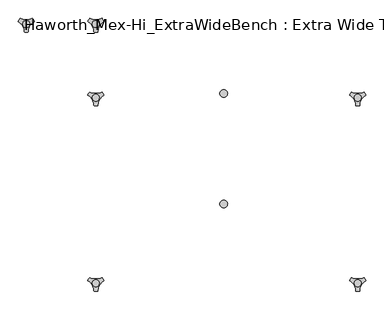
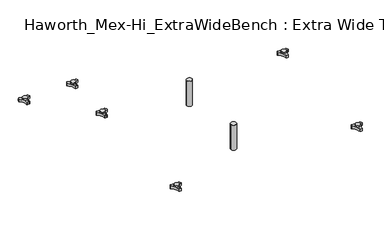
"""IFC4 building model written with IfcOpenShell, lengths in millimetres: furniture geometry, Haworth_Mex-Hi_ExtraWideBench : Extra Wide Three Seats Bench."""

from ifc_helpers import new_model, si_unit, point, frame, frame_2d, origin, origin_with_axes, place, context, project, spatial, polyline, circle_curve, trimmed, segment, composite_curve, outline, extrude, source, transform, mapped, element, save
from ifc_brep_helpers import plane_surface, cylinder_surface, revolved_surface, advanced_brep


def haworth_mex_hi_extrawidebench_extra_wide_three_seats_bench_09150e93(model_context):
    return source(origin(), model_context, "Body", "SolidModel", [
        advanced_brep(
        [(191.4388063, -130.2721038, 98.611642), (187.2162181, -137.585841, 98.611642), (187.614167, -138.7518724, 98.611642), (203.4334377, -166.1516574, 98.611642), (204.2442712, -167.0792988, 98.611642), (212.6894498, -167.0792988, 98.611642), (213.493978, -165.9895174, 98.611642), (229.5962311, -138.4877144, 98.611642), (229.7175081, -137.5858427, 98.611642), (225.4949182, -130.2721023, 98.611642), (224.2861347, -130.0337175, 98.611642), (192.6475863, -130.0337175, 98.611642), (217.839737, -145.1926245, 98.611642), (198.9347251, -145.1926245, 98.611642), (191.4388063, -130.2721038, 88.6531552), (192.6475863, -130.0337175, 88.6531552), (224.2861347, -130.0337175, 88.6531552), (225.4949182, -130.2721023, 88.6531552), (229.7175081, -137.5858427, 88.6531552), (229.5962311, -138.4877144, 88.6531552), (213.493978, -165.9895174, 88.6531552), (212.6894498, -167.0792988, 88.6531552), (204.2442712, -167.0792988, 88.6531552), (203.4334377, -166.1516574, 88.6531552), (187.614167, -138.7518724, 88.6531552), (187.2162181, -137.585841, 88.6531552), (198.9347251, -145.1926245, 103.6569541), (217.839737, -145.1926245, 103.6569541)],
        [
            (0, 1, circle_curve(frame((209.6982944, -145.690049, 98.611642), z_axis=(0.0, 0.0, 1.0), x_axis=(1.0, 0.0, 0.0)), 23.8981576)),
            (1, 2, circle_curve(frame((188.1437767, -137.920202, 98.611642), z_axis=(0.0, 0.0, 1.0), x_axis=(1.0, 0.0, 0.0)), 0.9859828)),
            (2, 3, circle_curve(frame((169.218797, -167.6389644, 98.611642), z_axis=(0.0, 0.0, -1.0), x_axis=(1.0, 0.0, 0.0)), 34.246952)),
            (3, 4, circle_curve(frame((204.4184811, -166.1088376, 98.611642), z_axis=(0.0, 0.0, 1.0), x_axis=(1.0, 0.0, 0.0)), 0.9859736)),
            (4, 5, circle_curve(frame((208.4668605, -143.5567534, 98.611642), z_axis=(0.0, 0.0, 1.0), x_axis=(1.0, 0.0, 0.0)), 23.8985439)),
            (5, 6, circle_curve(frame((212.5152379, -166.1088262, 98.611642), z_axis=(0.0, 0.0, 1.0), x_axis=(1.0, 0.0, 0.0)), 0.9859852)),
            (6, 7, circle_curve(frame((247.7156517, -167.5614211, 98.611642), z_axis=(0.0, 0.0, -1.0), x_axis=(1.0, 0.0, 0.0)), 34.2577557)),
            (7, 8, circle_curve(frame((228.7899467, -137.9202011, 98.611642), z_axis=(0.0, 0.0, 1.0), x_axis=(1.0, 0.0, 0.0)), 0.9859847)),
            (8, 9, circle_curve(frame((207.2358178, -145.6898258, 98.611642), z_axis=(0.0, 0.0, 1.0), x_axis=(1.0, 0.0, 0.0)), 23.8977184)),
            (9, 10, circle_curve(frame((224.7415719, -130.9082171, 98.611642), z_axis=(0.0, 0.0, 1.0), x_axis=(1.0, 0.0, 0.0)), 0.9859881)),
            (10, 11, circle_curve(frame((208.4668605, -99.6586209, 98.611642), z_axis=(0.0, 0.0, -1.0), x_axis=(1.0, 0.0, 0.0)), 34.2475683)),
            (11, 0, circle_curve(frame((192.1921512, -130.9082131, 98.611642), z_axis=(0.0, 0.0, 1.0), x_axis=(1.0, 0.0, 0.0)), 0.9859835)),
            (12, 13, circle_curve(frame((208.3872311, -145.1926245, 98.611642), z_axis=(0.0, 0.0, -1.0), x_axis=(1.0, 0.0, 0.0)), 9.452506)),
            (13, 12, circle_curve(frame((208.3872311, -145.1926245, 98.611642), z_axis=(0.0, 0.0, -1.0), x_axis=(1.0, 0.0, 0.0)), 9.452506)),
            (14, 15, circle_curve(frame((192.1921512, -130.9082131, 88.6531552), z_axis=(0.0, 0.0, -1.0), x_axis=(1.0, 0.0, 0.0)), 0.9859835)),
            (15, 16, circle_curve(frame((208.4668605, -99.6586209, 88.6531552), z_axis=(0.0, 0.0, 1.0), x_axis=(1.0, 0.0, 0.0)), 34.2475683)),
            (16, 17, circle_curve(frame((224.7415719, -130.9082171, 88.6531552), z_axis=(0.0, 0.0, -1.0), x_axis=(1.0, 0.0, 0.0)), 0.9859881)),
            (17, 18, circle_curve(frame((207.2358178, -145.6898258, 88.6531552), z_axis=(0.0, 0.0, -1.0), x_axis=(1.0, 0.0, 0.0)), 23.8977184)),
            (18, 19, circle_curve(frame((228.7899467, -137.9202011, 88.6531552), z_axis=(0.0, 0.0, -1.0), x_axis=(1.0, 0.0, 0.0)), 0.9859847)),
            (19, 20, circle_curve(frame((247.7156517, -167.5614211, 88.6531552), z_axis=(0.0, 0.0, 1.0), x_axis=(1.0, 0.0, 0.0)), 34.2577557)),
            (20, 21, circle_curve(frame((212.5152379, -166.1088262, 88.6531552), z_axis=(0.0, 0.0, -1.0), x_axis=(1.0, 0.0, 0.0)), 0.9859852)),
            (21, 22, circle_curve(frame((208.4668605, -143.5567534, 88.6531552), z_axis=(0.0, 0.0, -1.0), x_axis=(1.0, 0.0, 0.0)), 23.8985439)),
            (22, 23, circle_curve(frame((204.4184811, -166.1088376, 88.6531552), z_axis=(0.0, 0.0, -1.0), x_axis=(1.0, 0.0, 0.0)), 0.9859736)),
            (23, 24, circle_curve(frame((169.218797, -167.6389644, 88.6531552), z_axis=(0.0, 0.0, 1.0), x_axis=(1.0, 0.0, 0.0)), 34.246952)),
            (24, 25, circle_curve(frame((188.1437767, -137.920202, 88.6531552), z_axis=(0.0, 0.0, -1.0), x_axis=(1.0, 0.0, 0.0)), 0.9859828)),
            (25, 14, circle_curve(frame((209.6982944, -145.690049, 88.6531552), z_axis=(0.0, 0.0, -1.0), x_axis=(1.0, 0.0, 0.0)), 23.8981576)),
            (26, 27, circle_curve(frame((208.3872311, -145.1926245, 103.6569541), z_axis=(0.0, 0.0, 1.0), x_axis=(1.0, 0.0, 0.0)), 9.452506)),
            (27, 26, circle_curve(frame((208.3872311, -145.1926245, 103.6569541), z_axis=(0.0, 0.0, 1.0), x_axis=(1.0, 0.0, 0.0)), 9.452506)),
            (0, 14),
            (25, 1),
            (24, 2),
            (23, 3),
            (22, 4),
            (21, 5),
            (20, 6),
            (19, 7),
            (18, 8),
            (17, 9),
            (16, 10),
            (15, 11),
            (26, 13),
            (12, 27),
        ],
        [
            plane_surface(frame((233.596452, -145.690049, 98.611642), z_axis=(0.0, 0.0, 1.0), x_axis=(0.0, 1.0, 0.0))),
            plane_surface(frame((233.596452, -145.690049, 88.6531552), z_axis=(0.0, 0.0, -1.0), x_axis=(0.0, -1.0, 0.0))),
            plane_surface(frame((217.839737, -145.1926245, 103.6569541), z_axis=(0.0, 0.0, 1.0), x_axis=(0.0, 1.0, 0.0))),
            cylinder_surface(frame((209.6982944, -145.690049, 88.6531552), z_axis=(0.0, 0.0, 1.0), x_axis=(1.0, 0.0, 0.0)), 23.8981576),
            cylinder_surface(frame((188.1437767, -137.920202, 88.6531552), z_axis=(0.0, 0.0, 1.0), x_axis=(1.0, 0.0, 0.0)), 0.9859828),
            revolved_surface(polyline([(203.465749, -167.6389644, 88.6531552), (203.465749, -167.6389644, 98.611642)]), (169.218797, -167.6389644, 88.6531552), (0.0, 0.0, -1.0)),
            cylinder_surface(frame((204.4184811, -166.1088376, 88.6531552), z_axis=(0.0, 0.0, 1.0), x_axis=(1.0, 0.0, 0.0)), 0.9859736),
            cylinder_surface(frame((208.4668605, -143.5567534, 88.6531552), z_axis=(0.0, 0.0, 1.0), x_axis=(1.0, 0.0, 0.0)), 23.8985439),
            cylinder_surface(frame((212.5152379, -166.1088262, 88.6531552), z_axis=(0.0, 0.0, 1.0), x_axis=(1.0, 0.0, 0.0)), 0.9859852),
            revolved_surface(polyline([(281.9734074, -167.5614211, 88.6531552), (281.9734074, -167.5614211, 98.611642)]), (247.7156517, -167.5614211, 88.6531552), (0.0, 0.0, -1.0)),
            cylinder_surface(frame((228.7899467, -137.9202011, 88.6531552), z_axis=(0.0, 0.0, 1.0), x_axis=(1.0, 0.0, 0.0)), 0.9859847),
            cylinder_surface(frame((207.2358178, -145.6898258, 88.6531552), z_axis=(0.0, 0.0, 1.0), x_axis=(1.0, 0.0, 0.0)), 23.8977184),
            cylinder_surface(frame((224.7415719, -130.9082171, 88.6531552), z_axis=(0.0, 0.0, 1.0), x_axis=(1.0, 0.0, 0.0)), 0.9859881),
            revolved_surface(polyline([(242.7144288, -99.6586209, 88.6531552), (242.7144288, -99.6586209, 98.611642)]), (208.4668605, -99.6586209, 88.6531552), (0.0, 0.0, -1.0)),
            cylinder_surface(frame((192.1921512, -130.9082131, 88.6531552), z_axis=(0.0, 0.0, 1.0), x_axis=(1.0, 0.0, 0.0)), 0.9859835),
            cylinder_surface(frame((208.3872311, -145.1926245, 98.611642), z_axis=(0.0, 0.0, 1.0), x_axis=(1.0, 0.0, 0.0)), 9.452506),
        ],
        [
            (0, [[1, 2, 3, 4, 5, 6, 7, 8, 9, 10, 11, 12], [13, 14]]),
            (1, [[15, 16, 17, 18, 19, 20, 21, 22, 23, 24, 25, 26]]),
            (2, [[27, 28]]),
            (3, [[-1, 29, -26, 30]]),
            (4, [[-2, -30, -25, 31]]),
            (5, [[-3, -31, -24, 32]]),
            (6, [[-4, -32, -23, 33]]),
            (7, [[-5, -33, -22, 34]]),
            (8, [[-6, -34, -21, 35]]),
            (9, [[-7, -35, -20, 36]]),
            (10, [[-8, -36, -19, 37]]),
            (11, [[-9, -37, -18, 38]]),
            (12, [[-10, -38, -17, 39]]),
            (13, [[-11, -39, -16, 40]]),
            (14, [[-12, -40, -15, -29]]),
            (15, [[-27, 41, -13, 42]]),
            (15, [[-28, -42, -14, -41]]),
        ],
    ),
        advanced_brep(
        [(191.4388063, -633.9963447, 98.611642), (187.2162181, -641.3100819, 98.611642), (187.614167, -642.4761133, 98.611642), (203.4334377, -669.8758983, 98.611642), (204.2442712, -670.8035397, 98.611642), (212.6894498, -670.8035397, 98.611642), (213.493978, -669.7137583, 98.611642), (229.5962311, -642.2119553, 98.611642), (229.7175081, -641.3100836, 98.611642), (225.4949182, -633.9963432, 98.611642), (224.2861347, -633.7579584, 98.611642), (192.6475863, -633.7579584, 98.611642), (217.839737, -648.9168654, 98.611642), (198.9347251, -648.9168654, 98.611642), (191.4388063, -633.9963447, 88.6531552), (192.6475863, -633.7579584, 88.6531552), (224.2861347, -633.7579584, 88.6531552), (225.4949182, -633.9963432, 88.6531552), (229.7175081, -641.3100836, 88.6531552), (229.5962311, -642.2119553, 88.6531552), (213.493978, -669.7137583, 88.6531552), (212.6894498, -670.8035397, 88.6531552), (204.2442712, -670.8035397, 88.6531552), (203.4334377, -669.8758983, 88.6531552), (187.614167, -642.4761133, 88.6531552), (187.2162181, -641.3100819, 88.6531552), (198.9347251, -648.9168654, 103.6569541), (217.839737, -648.9168654, 103.6569541)],
        [
            (0, 1, circle_curve(frame((209.6982944, -649.4142898, 98.611642), z_axis=(0.0, 0.0, 1.0), x_axis=(1.0, 0.0, 0.0)), 23.8981576)),
            (1, 2, circle_curve(frame((188.1437767, -641.6444428, 98.611642), z_axis=(0.0, 0.0, 1.0), x_axis=(1.0, 0.0, 0.0)), 0.9859828)),
            (2, 3, circle_curve(frame((169.218797, -671.3632053, 98.611642), z_axis=(0.0, 0.0, -1.0), x_axis=(1.0, 0.0, 0.0)), 34.246952)),
            (3, 4, circle_curve(frame((204.4184811, -669.8330785, 98.611642), z_axis=(0.0, 0.0, 1.0), x_axis=(1.0, 0.0, 0.0)), 0.9859736)),
            (4, 5, circle_curve(frame((208.4668605, -647.2809943, 98.611642), z_axis=(0.0, 0.0, 1.0), x_axis=(1.0, 0.0, 0.0)), 23.8985439)),
            (5, 6, circle_curve(frame((212.5152379, -669.8330671, 98.611642), z_axis=(0.0, 0.0, 1.0), x_axis=(1.0, 0.0, 0.0)), 0.9859852)),
            (6, 7, circle_curve(frame((247.7156517, -671.285662, 98.611642), z_axis=(0.0, 0.0, -1.0), x_axis=(1.0, 0.0, 0.0)), 34.2577557)),
            (7, 8, circle_curve(frame((228.7899467, -641.644442, 98.611642), z_axis=(0.0, 0.0, 1.0), x_axis=(1.0, 0.0, 0.0)), 0.9859847)),
            (8, 9, circle_curve(frame((207.2358178, -649.4140667, 98.611642), z_axis=(0.0, 0.0, 1.0), x_axis=(1.0, 0.0, 0.0)), 23.8977184)),
            (9, 10, circle_curve(frame((224.7415719, -634.632458, 98.611642), z_axis=(0.0, 0.0, 1.0), x_axis=(1.0, 0.0, 0.0)), 0.9859881)),
            (10, 11, circle_curve(frame((208.4668605, -603.3828618, 98.611642), z_axis=(0.0, 0.0, -1.0), x_axis=(1.0, 0.0, 0.0)), 34.2475683)),
            (11, 0, circle_curve(frame((192.1921512, -634.632454, 98.611642), z_axis=(0.0, 0.0, 1.0), x_axis=(1.0, 0.0, 0.0)), 0.9859835)),
            (12, 13, circle_curve(frame((208.3872311, -648.9168654, 98.611642), z_axis=(0.0, 0.0, -1.0), x_axis=(1.0, 0.0, 0.0)), 9.452506)),
            (13, 12, circle_curve(frame((208.3872311, -648.9168654, 98.611642), z_axis=(0.0, 0.0, -1.0), x_axis=(1.0, 0.0, 0.0)), 9.452506)),
            (14, 15, circle_curve(frame((192.1921512, -634.632454, 88.6531552), z_axis=(0.0, 0.0, -1.0), x_axis=(1.0, 0.0, 0.0)), 0.9859835)),
            (15, 16, circle_curve(frame((208.4668605, -603.3828618, 88.6531552), z_axis=(0.0, 0.0, 1.0), x_axis=(1.0, 0.0, 0.0)), 34.2475683)),
            (16, 17, circle_curve(frame((224.7415719, -634.632458, 88.6531552), z_axis=(0.0, 0.0, -1.0), x_axis=(1.0, 0.0, 0.0)), 0.9859881)),
            (17, 18, circle_curve(frame((207.2358178, -649.4140667, 88.6531552), z_axis=(0.0, 0.0, -1.0), x_axis=(1.0, 0.0, 0.0)), 23.8977184)),
            (18, 19, circle_curve(frame((228.7899467, -641.644442, 88.6531552), z_axis=(0.0, 0.0, -1.0), x_axis=(1.0, 0.0, 0.0)), 0.9859847)),
            (19, 20, circle_curve(frame((247.7156517, -671.285662, 88.6531552), z_axis=(0.0, 0.0, 1.0), x_axis=(1.0, 0.0, 0.0)), 34.2577557)),
            (20, 21, circle_curve(frame((212.5152379, -669.8330671, 88.6531552), z_axis=(0.0, 0.0, -1.0), x_axis=(1.0, 0.0, 0.0)), 0.9859852)),
            (21, 22, circle_curve(frame((208.4668605, -647.2809943, 88.6531552), z_axis=(0.0, 0.0, -1.0), x_axis=(1.0, 0.0, 0.0)), 23.8985439)),
            (22, 23, circle_curve(frame((204.4184811, -669.8330785, 88.6531552), z_axis=(0.0, 0.0, -1.0), x_axis=(1.0, 0.0, 0.0)), 0.9859736)),
            (23, 24, circle_curve(frame((169.218797, -671.3632053, 88.6531552), z_axis=(0.0, 0.0, 1.0), x_axis=(1.0, 0.0, 0.0)), 34.246952)),
            (24, 25, circle_curve(frame((188.1437767, -641.6444428, 88.6531552), z_axis=(0.0, 0.0, -1.0), x_axis=(1.0, 0.0, 0.0)), 0.9859828)),
            (25, 14, circle_curve(frame((209.6982944, -649.4142898, 88.6531552), z_axis=(0.0, 0.0, -1.0), x_axis=(1.0, 0.0, 0.0)), 23.8981576)),
            (26, 27, circle_curve(frame((208.3872311, -648.9168654, 103.6569541), z_axis=(0.0, 0.0, 1.0), x_axis=(1.0, 0.0, 0.0)), 9.452506)),
            (27, 26, circle_curve(frame((208.3872311, -648.9168654, 103.6569541), z_axis=(0.0, 0.0, 1.0), x_axis=(1.0, 0.0, 0.0)), 9.452506)),
            (0, 14),
            (25, 1),
            (24, 2),
            (23, 3),
            (22, 4),
            (21, 5),
            (20, 6),
            (19, 7),
            (18, 8),
            (17, 9),
            (16, 10),
            (15, 11),
            (26, 13),
            (12, 27),
        ],
        [
            plane_surface(frame((233.596452, -649.4142898, 98.611642), z_axis=(0.0, 0.0, 1.0), x_axis=(0.0, 1.0, 0.0))),
            plane_surface(frame((233.596452, -649.4142898, 88.6531552), z_axis=(0.0, 0.0, -1.0), x_axis=(0.0, -1.0, 0.0))),
            plane_surface(frame((217.839737, -648.9168654, 103.6569541), z_axis=(0.0, 0.0, 1.0), x_axis=(0.0, 1.0, 0.0))),
            cylinder_surface(frame((209.6982944, -649.4142898, 88.6531552), z_axis=(0.0, 0.0, 1.0), x_axis=(1.0, 0.0, 0.0)), 23.8981576),
            cylinder_surface(frame((188.1437767, -641.6444428, 88.6531552), z_axis=(0.0, 0.0, 1.0), x_axis=(1.0, 0.0, 0.0)), 0.9859828),
            revolved_surface(polyline([(203.465749, -671.3632053, 88.6531552), (203.465749, -671.3632053, 98.611642)]), (169.218797, -671.3632053, 88.6531552), (0.0, 0.0, -1.0)),
            cylinder_surface(frame((204.4184811, -669.8330785, 88.6531552), z_axis=(0.0, 0.0, 1.0), x_axis=(1.0, 0.0, 0.0)), 0.9859736),
            cylinder_surface(frame((208.4668605, -647.2809943, 88.6531552), z_axis=(0.0, 0.0, 1.0), x_axis=(1.0, 0.0, 0.0)), 23.8985439),
            cylinder_surface(frame((212.5152379, -669.8330671, 88.6531552), z_axis=(0.0, 0.0, 1.0), x_axis=(1.0, 0.0, 0.0)), 0.9859852),
            revolved_surface(polyline([(281.9734074, -671.285662, 88.6531552), (281.9734074, -671.285662, 98.611642)]), (247.7156517, -671.285662, 88.6531552), (0.0, 0.0, -1.0)),
            cylinder_surface(frame((228.7899467, -641.644442, 88.6531552), z_axis=(0.0, 0.0, 1.0), x_axis=(1.0, 0.0, 0.0)), 0.9859847),
            cylinder_surface(frame((207.2358178, -649.4140667, 88.6531552), z_axis=(0.0, 0.0, 1.0), x_axis=(1.0, 0.0, 0.0)), 23.8977184),
            cylinder_surface(frame((224.7415719, -634.632458, 88.6531552), z_axis=(0.0, 0.0, 1.0), x_axis=(1.0, 0.0, 0.0)), 0.9859881),
            revolved_surface(polyline([(242.7144288, -603.3828618, 88.6531552), (242.7144288, -603.3828618, 98.611642)]), (208.4668605, -603.3828618, 88.6531552), (0.0, 0.0, -1.0)),
            cylinder_surface(frame((192.1921512, -634.632454, 88.6531552), z_axis=(0.0, 0.0, 1.0), x_axis=(1.0, 0.0, 0.0)), 0.9859835),
            cylinder_surface(frame((208.3872311, -648.9168654, 98.611642), z_axis=(0.0, 0.0, 1.0), x_axis=(1.0, 0.0, 0.0)), 9.452506),
        ],
        [
            (0, [[1, 2, 3, 4, 5, 6, 7, 8, 9, 10, 11, 12], [13, 14]]),
            (1, [[15, 16, 17, 18, 19, 20, 21, 22, 23, 24, 25, 26]]),
            (2, [[27, 28]]),
            (3, [[-1, 29, -26, 30]]),
            (4, [[-2, -30, -25, 31]]),
            (5, [[-3, -31, -24, 32]]),
            (6, [[-4, -32, -23, 33]]),
            (7, [[-5, -33, -22, 34]]),
            (8, [[-6, -34, -21, 35]]),
            (9, [[-7, -35, -20, 36]]),
            (10, [[-8, -36, -19, 37]]),
            (11, [[-9, -37, -18, 38]]),
            (12, [[-10, -38, -17, 39]]),
            (13, [[-11, -39, -16, 40]]),
            (14, [[-12, -40, -15, -29]]),
            (15, [[-27, 41, -13, 42]]),
            (15, [[-28, -42, -14, -41]]),
        ],
    ),
        advanced_brep(
        [(-519.7611937, -633.9963447, 98.611642), (-523.9837819, -641.3100819, 98.611642), (-523.585833, -642.4761133, 98.611642), (-507.7665623, -669.8758983, 98.611642), (-506.9557288, -670.8035397, 98.611642), (-498.5105502, -670.8035397, 98.611642), (-497.706022, -669.7137583, 98.611642), (-481.6037689, -642.2119553, 98.611642), (-481.4824919, -641.3100836, 98.611642), (-485.7050818, -633.9963432, 98.611642), (-486.9138653, -633.7579584, 98.611642), (-518.5524137, -633.7579584, 98.611642), (-493.360263, -648.9168654, 98.611642), (-512.2652749, -648.9168654, 98.611642), (-519.7611937, -633.9963447, 88.6531552), (-518.5524137, -633.7579584, 88.6531552), (-486.9138653, -633.7579584, 88.6531552), (-485.7050818, -633.9963432, 88.6531552), (-481.4824919, -641.3100836, 88.6531552), (-481.6037689, -642.2119553, 88.6531552), (-497.706022, -669.7137583, 88.6531552), (-498.5105502, -670.8035397, 88.6531552), (-506.9557288, -670.8035397, 88.6531552), (-507.7665623, -669.8758983, 88.6531552), (-523.585833, -642.4761133, 88.6531552), (-523.9837819, -641.3100819, 88.6531552), (-512.2652749, -648.9168654, 103.6569541), (-493.360263, -648.9168654, 103.6569541)],
        [
            (0, 1, circle_curve(frame((-501.5017056, -649.4142898, 98.611642), z_axis=(0.0, 0.0, 1.0), x_axis=(1.0, 0.0, 0.0)), 23.8981576)),
            (1, 2, circle_curve(frame((-523.0562233, -641.6444428, 98.611642), z_axis=(0.0, 0.0, 1.0), x_axis=(1.0, 0.0, 0.0)), 0.9859828)),
            (2, 3, circle_curve(frame((-541.981203, -671.3632053, 98.611642), z_axis=(0.0, 0.0, -1.0), x_axis=(1.0, 0.0, 0.0)), 34.246952)),
            (3, 4, circle_curve(frame((-506.7815189, -669.8330785, 98.611642), z_axis=(0.0, 0.0, 1.0), x_axis=(1.0, 0.0, 0.0)), 0.9859736)),
            (4, 5, circle_curve(frame((-502.7331395, -647.2809943, 98.611642), z_axis=(0.0, 0.0, 1.0), x_axis=(1.0, 0.0, 0.0)), 23.8985439)),
            (5, 6, circle_curve(frame((-498.6847621, -669.8330671, 98.611642), z_axis=(0.0, 0.0, 1.0), x_axis=(1.0, 0.0, 0.0)), 0.9859852)),
            (6, 7, circle_curve(frame((-463.4843483, -671.285662, 98.611642), z_axis=(0.0, 0.0, -1.0), x_axis=(1.0, 0.0, 0.0)), 34.2577557)),
            (7, 8, circle_curve(frame((-482.4100533, -641.644442, 98.611642), z_axis=(0.0, 0.0, 1.0), x_axis=(1.0, 0.0, 0.0)), 0.9859847)),
            (8, 9, circle_curve(frame((-503.9641822, -649.4140667, 98.611642), z_axis=(0.0, 0.0, 1.0), x_axis=(1.0, 0.0, 0.0)), 23.8977184)),
            (9, 10, circle_curve(frame((-486.4584281, -634.632458, 98.611642), z_axis=(0.0, 0.0, 1.0), x_axis=(1.0, 0.0, 0.0)), 0.9859881)),
            (10, 11, circle_curve(frame((-502.7331395, -603.3828618, 98.611642), z_axis=(0.0, 0.0, -1.0), x_axis=(1.0, 0.0, 0.0)), 34.2475683)),
            (11, 0, circle_curve(frame((-519.0078488, -634.632454, 98.611642), z_axis=(0.0, 0.0, 1.0), x_axis=(1.0, 0.0, 0.0)), 0.9859835)),
            (12, 13, circle_curve(frame((-502.8127689, -648.9168654, 98.611642), z_axis=(0.0, 0.0, -1.0), x_axis=(1.0, 0.0, 0.0)), 9.452506)),
            (13, 12, circle_curve(frame((-502.8127689, -648.9168654, 98.611642), z_axis=(0.0, 0.0, -1.0), x_axis=(1.0, 0.0, 0.0)), 9.452506)),
            (14, 15, circle_curve(frame((-519.0078488, -634.632454, 88.6531552), z_axis=(0.0, 0.0, -1.0), x_axis=(1.0, 0.0, 0.0)), 0.9859835)),
            (15, 16, circle_curve(frame((-502.7331395, -603.3828618, 88.6531552), z_axis=(0.0, 0.0, 1.0), x_axis=(1.0, 0.0, 0.0)), 34.2475683)),
            (16, 17, circle_curve(frame((-486.4584281, -634.632458, 88.6531552), z_axis=(0.0, 0.0, -1.0), x_axis=(1.0, 0.0, 0.0)), 0.9859881)),
            (17, 18, circle_curve(frame((-503.9641822, -649.4140667, 88.6531552), z_axis=(0.0, 0.0, -1.0), x_axis=(1.0, 0.0, 0.0)), 23.8977184)),
            (18, 19, circle_curve(frame((-482.4100533, -641.644442, 88.6531552), z_axis=(0.0, 0.0, -1.0), x_axis=(1.0, 0.0, 0.0)), 0.9859847)),
            (19, 20, circle_curve(frame((-463.4843483, -671.285662, 88.6531552), z_axis=(0.0, 0.0, 1.0), x_axis=(1.0, 0.0, 0.0)), 34.2577557)),
            (20, 21, circle_curve(frame((-498.6847621, -669.8330671, 88.6531552), z_axis=(0.0, 0.0, -1.0), x_axis=(1.0, 0.0, 0.0)), 0.9859852)),
            (21, 22, circle_curve(frame((-502.7331395, -647.2809943, 88.6531552), z_axis=(0.0, 0.0, -1.0), x_axis=(1.0, 0.0, 0.0)), 23.8985439)),
            (22, 23, circle_curve(frame((-506.7815189, -669.8330785, 88.6531552), z_axis=(0.0, 0.0, -1.0), x_axis=(1.0, 0.0, 0.0)), 0.9859736)),
            (23, 24, circle_curve(frame((-541.981203, -671.3632053, 88.6531552), z_axis=(0.0, 0.0, 1.0), x_axis=(1.0, 0.0, 0.0)), 34.246952)),
            (24, 25, circle_curve(frame((-523.0562233, -641.6444428, 88.6531552), z_axis=(0.0, 0.0, -1.0), x_axis=(1.0, 0.0, 0.0)), 0.9859828)),
            (25, 14, circle_curve(frame((-501.5017056, -649.4142898, 88.6531552), z_axis=(0.0, 0.0, -1.0), x_axis=(1.0, 0.0, 0.0)), 23.8981576)),
            (26, 27, circle_curve(frame((-502.8127689, -648.9168654, 103.6569541), z_axis=(0.0, 0.0, 1.0), x_axis=(1.0, 0.0, 0.0)), 9.452506)),
            (27, 26, circle_curve(frame((-502.8127689, -648.9168654, 103.6569541), z_axis=(0.0, 0.0, 1.0), x_axis=(1.0, 0.0, 0.0)), 9.452506)),
            (0, 14),
            (25, 1),
            (24, 2),
            (23, 3),
            (22, 4),
            (21, 5),
            (20, 6),
            (19, 7),
            (18, 8),
            (17, 9),
            (16, 10),
            (15, 11),
            (26, 13),
            (12, 27),
        ],
        [
            plane_surface(frame((-477.603548, -649.4142898, 98.611642), z_axis=(0.0, 0.0, 1.0), x_axis=(0.0, 1.0, 0.0))),
            plane_surface(frame((-477.603548, -649.4142898, 88.6531552), z_axis=(0.0, 0.0, -1.0), x_axis=(0.0, -1.0, 0.0))),
            plane_surface(frame((-493.360263, -648.9168654, 103.6569541), z_axis=(0.0, 0.0, 1.0), x_axis=(0.0, 1.0, 0.0))),
            cylinder_surface(frame((-501.5017056, -649.4142898, 88.6531552), z_axis=(0.0, 0.0, 1.0), x_axis=(1.0, 0.0, 0.0)), 23.8981576),
            cylinder_surface(frame((-523.0562233, -641.6444428, 88.6531552), z_axis=(0.0, 0.0, 1.0), x_axis=(1.0, 0.0, 0.0)), 0.9859828),
            revolved_surface(polyline([(-507.73425100000003, -671.3632053, 88.6531552), (-507.73425100000003, -671.3632053, 98.611642)]), (-541.981203, -671.3632053, 88.6531552), (0.0, 0.0, -1.0)),
            cylinder_surface(frame((-506.7815189, -669.8330785, 88.6531552), z_axis=(0.0, 0.0, 1.0), x_axis=(1.0, 0.0, 0.0)), 0.9859736),
            cylinder_surface(frame((-502.7331395, -647.2809943, 88.6531552), z_axis=(0.0, 0.0, 1.0), x_axis=(1.0, 0.0, 0.0)), 23.8985439),
            cylinder_surface(frame((-498.6847621, -669.8330671, 88.6531552), z_axis=(0.0, 0.0, 1.0), x_axis=(1.0, 0.0, 0.0)), 0.9859852),
            revolved_surface(polyline([(-429.2265926, -671.285662, 88.6531552), (-429.2265926, -671.285662, 98.611642)]), (-463.4843483, -671.285662, 88.6531552), (0.0, 0.0, -1.0)),
            cylinder_surface(frame((-482.4100533, -641.644442, 88.6531552), z_axis=(0.0, 0.0, 1.0), x_axis=(1.0, 0.0, 0.0)), 0.9859847),
            cylinder_surface(frame((-503.9641822, -649.4140667, 88.6531552), z_axis=(0.0, 0.0, 1.0), x_axis=(1.0, 0.0, 0.0)), 23.8977184),
            cylinder_surface(frame((-486.4584281, -634.632458, 88.6531552), z_axis=(0.0, 0.0, 1.0), x_axis=(1.0, 0.0, 0.0)), 0.9859881),
            revolved_surface(polyline([(-468.4855712, -603.3828618, 88.6531552), (-468.4855712, -603.3828618, 98.611642)]), (-502.7331395, -603.3828618, 88.6531552), (0.0, 0.0, -1.0)),
            cylinder_surface(frame((-519.0078488, -634.632454, 88.6531552), z_axis=(0.0, 0.0, 1.0), x_axis=(1.0, 0.0, 0.0)), 0.9859835),
            cylinder_surface(frame((-502.8127689, -648.9168654, 98.611642), z_axis=(0.0, 0.0, 1.0), x_axis=(1.0, 0.0, 0.0)), 9.452506),
        ],
        [
            (0, [[1, 2, 3, 4, 5, 6, 7, 8, 9, 10, 11, 12], [13, 14]]),
            (1, [[15, 16, 17, 18, 19, 20, 21, 22, 23, 24, 25, 26]]),
            (2, [[27, 28]]),
            (3, [[-1, 29, -26, 30]]),
            (4, [[-2, -30, -25, 31]]),
            (5, [[-3, -31, -24, 32]]),
            (6, [[-4, -32, -23, 33]]),
            (7, [[-5, -33, -22, 34]]),
            (8, [[-6, -34, -21, 35]]),
            (9, [[-7, -35, -20, 36]]),
            (10, [[-8, -36, -19, 37]]),
            (11, [[-9, -37, -18, 38]]),
            (12, [[-10, -38, -17, 39]]),
            (13, [[-11, -39, -16, 40]]),
            (14, [[-12, -40, -15, -29]]),
            (15, [[-27, 41, -13, 42]]),
            (15, [[-28, -42, -14, -41]]),
        ],
    ),
        advanced_brep(
        [(-519.7611937, -130.2721038, 98.611642), (-523.9837819, -137.585841, 98.611642), (-523.585833, -138.7518724, 98.611642), (-507.7665623, -166.1516574, 98.611642), (-506.9557288, -167.0792988, 98.611642), (-498.5105502, -167.0792988, 98.611642), (-497.706022, -165.9895174, 98.611642), (-481.6037689, -138.4877144, 98.611642), (-481.4824919, -137.5858427, 98.611642), (-485.7050818, -130.2721023, 98.611642), (-486.9138653, -130.0337175, 98.611642), (-518.5524137, -130.0337175, 98.611642), (-493.360263, -145.1926245, 98.611642), (-512.2652749, -145.1926245, 98.611642), (-519.7611937, -130.2721038, 88.6531552), (-518.5524137, -130.0337175, 88.6531552), (-486.9138653, -130.0337175, 88.6531552), (-485.7050818, -130.2721023, 88.6531552), (-481.4824919, -137.5858427, 88.6531552), (-481.6037689, -138.4877144, 88.6531552), (-497.706022, -165.9895174, 88.6531552), (-498.5105502, -167.0792988, 88.6531552), (-506.9557288, -167.0792988, 88.6531552), (-507.7665623, -166.1516574, 88.6531552), (-523.585833, -138.7518724, 88.6531552), (-523.9837819, -137.585841, 88.6531552), (-512.2652749, -145.1926245, 103.6569541), (-493.360263, -145.1926245, 103.6569541)],
        [
            (0, 1, circle_curve(frame((-501.5017056, -145.690049, 98.611642), z_axis=(0.0, 0.0, 1.0), x_axis=(1.0, 0.0, 0.0)), 23.8981576)),
            (1, 2, circle_curve(frame((-523.0562233, -137.920202, 98.611642), z_axis=(0.0, 0.0, 1.0), x_axis=(1.0, 0.0, 0.0)), 0.9859828)),
            (2, 3, circle_curve(frame((-541.981203, -167.6389644, 98.611642), z_axis=(0.0, 0.0, -1.0), x_axis=(1.0, 0.0, 0.0)), 34.246952)),
            (3, 4, circle_curve(frame((-506.7815189, -166.1088376, 98.611642), z_axis=(0.0, 0.0, 1.0), x_axis=(1.0, 0.0, 0.0)), 0.9859736)),
            (4, 5, circle_curve(frame((-502.7331395, -143.5567534, 98.611642), z_axis=(0.0, 0.0, 1.0), x_axis=(1.0, 0.0, 0.0)), 23.8985439)),
            (5, 6, circle_curve(frame((-498.6847621, -166.1088262, 98.611642), z_axis=(0.0, 0.0, 1.0), x_axis=(1.0, 0.0, 0.0)), 0.9859852)),
            (6, 7, circle_curve(frame((-463.4843483, -167.5614211, 98.611642), z_axis=(0.0, 0.0, -1.0), x_axis=(1.0, 0.0, 0.0)), 34.2577557)),
            (7, 8, circle_curve(frame((-482.4100533, -137.9202011, 98.611642), z_axis=(0.0, 0.0, 1.0), x_axis=(1.0, 0.0, 0.0)), 0.9859847)),
            (8, 9, circle_curve(frame((-503.9641822, -145.6898258, 98.611642), z_axis=(0.0, 0.0, 1.0), x_axis=(1.0, 0.0, 0.0)), 23.8977184)),
            (9, 10, circle_curve(frame((-486.4584281, -130.9082171, 98.611642), z_axis=(0.0, 0.0, 1.0), x_axis=(1.0, 0.0, 0.0)), 0.9859881)),
            (10, 11, circle_curve(frame((-502.7331395, -99.6586209, 98.611642), z_axis=(0.0, 0.0, -1.0), x_axis=(1.0, 0.0, 0.0)), 34.2475683)),
            (11, 0, circle_curve(frame((-519.0078488, -130.9082131, 98.611642), z_axis=(0.0, 0.0, 1.0), x_axis=(1.0, 0.0, 0.0)), 0.9859835)),
            (12, 13, circle_curve(frame((-502.8127689, -145.1926245, 98.611642), z_axis=(0.0, 0.0, -1.0), x_axis=(1.0, 0.0, 0.0)), 9.452506)),
            (13, 12, circle_curve(frame((-502.8127689, -145.1926245, 98.611642), z_axis=(0.0, 0.0, -1.0), x_axis=(1.0, 0.0, 0.0)), 9.452506)),
            (14, 15, circle_curve(frame((-519.0078488, -130.9082131, 88.6531552), z_axis=(0.0, 0.0, -1.0), x_axis=(1.0, 0.0, 0.0)), 0.9859835)),
            (15, 16, circle_curve(frame((-502.7331395, -99.6586209, 88.6531552), z_axis=(0.0, 0.0, 1.0), x_axis=(1.0, 0.0, 0.0)), 34.2475683)),
            (16, 17, circle_curve(frame((-486.4584281, -130.9082171, 88.6531552), z_axis=(0.0, 0.0, -1.0), x_axis=(1.0, 0.0, 0.0)), 0.9859881)),
            (17, 18, circle_curve(frame((-503.9641822, -145.6898258, 88.6531552), z_axis=(0.0, 0.0, -1.0), x_axis=(1.0, 0.0, 0.0)), 23.8977184)),
            (18, 19, circle_curve(frame((-482.4100533, -137.9202011, 88.6531552), z_axis=(0.0, 0.0, -1.0), x_axis=(1.0, 0.0, 0.0)), 0.9859847)),
            (19, 20, circle_curve(frame((-463.4843483, -167.5614211, 88.6531552), z_axis=(0.0, 0.0, 1.0), x_axis=(1.0, 0.0, 0.0)), 34.2577557)),
            (20, 21, circle_curve(frame((-498.6847621, -166.1088262, 88.6531552), z_axis=(0.0, 0.0, -1.0), x_axis=(1.0, 0.0, 0.0)), 0.9859852)),
            (21, 22, circle_curve(frame((-502.7331395, -143.5567534, 88.6531552), z_axis=(0.0, 0.0, -1.0), x_axis=(1.0, 0.0, 0.0)), 23.8985439)),
            (22, 23, circle_curve(frame((-506.7815189, -166.1088376, 88.6531552), z_axis=(0.0, 0.0, -1.0), x_axis=(1.0, 0.0, 0.0)), 0.9859736)),
            (23, 24, circle_curve(frame((-541.981203, -167.6389644, 88.6531552), z_axis=(0.0, 0.0, 1.0), x_axis=(1.0, 0.0, 0.0)), 34.246952)),
            (24, 25, circle_curve(frame((-523.0562233, -137.920202, 88.6531552), z_axis=(0.0, 0.0, -1.0), x_axis=(1.0, 0.0, 0.0)), 0.9859828)),
            (25, 14, circle_curve(frame((-501.5017056, -145.690049, 88.6531552), z_axis=(0.0, 0.0, -1.0), x_axis=(1.0, 0.0, 0.0)), 23.8981576)),
            (26, 27, circle_curve(frame((-502.8127689, -145.1926245, 103.6569541), z_axis=(0.0, 0.0, 1.0), x_axis=(1.0, 0.0, 0.0)), 9.452506)),
            (27, 26, circle_curve(frame((-502.8127689, -145.1926245, 103.6569541), z_axis=(0.0, 0.0, 1.0), x_axis=(1.0, 0.0, 0.0)), 9.452506)),
            (0, 14),
            (25, 1),
            (24, 2),
            (23, 3),
            (22, 4),
            (21, 5),
            (20, 6),
            (19, 7),
            (18, 8),
            (17, 9),
            (16, 10),
            (15, 11),
            (26, 13),
            (12, 27),
        ],
        [
            plane_surface(frame((-477.603548, -145.690049, 98.611642), z_axis=(0.0, 0.0, 1.0), x_axis=(0.0, 1.0, 0.0))),
            plane_surface(frame((-477.603548, -145.690049, 88.6531552), z_axis=(0.0, 0.0, -1.0), x_axis=(0.0, -1.0, 0.0))),
            plane_surface(frame((-493.360263, -145.1926245, 103.6569541), z_axis=(0.0, 0.0, 1.0), x_axis=(0.0, 1.0, 0.0))),
            cylinder_surface(frame((-501.5017056, -145.690049, 88.6531552), z_axis=(0.0, 0.0, 1.0), x_axis=(1.0, 0.0, 0.0)), 23.8981576),
            cylinder_surface(frame((-523.0562233, -137.920202, 88.6531552), z_axis=(0.0, 0.0, 1.0), x_axis=(1.0, 0.0, 0.0)), 0.9859828),
            revolved_surface(polyline([(-507.73425100000003, -167.6389644, 88.6531552), (-507.73425100000003, -167.6389644, 98.611642)]), (-541.981203, -167.6389644, 88.6531552), (0.0, 0.0, -1.0)),
            cylinder_surface(frame((-506.7815189, -166.1088376, 88.6531552), z_axis=(0.0, 0.0, 1.0), x_axis=(1.0, 0.0, 0.0)), 0.9859736),
            cylinder_surface(frame((-502.7331395, -143.5567534, 88.6531552), z_axis=(0.0, 0.0, 1.0), x_axis=(1.0, 0.0, 0.0)), 23.8985439),
            cylinder_surface(frame((-498.6847621, -166.1088262, 88.6531552), z_axis=(0.0, 0.0, 1.0), x_axis=(1.0, 0.0, 0.0)), 0.9859852),
            revolved_surface(polyline([(-429.2265926, -167.5614211, 88.6531552), (-429.2265926, -167.5614211, 98.611642)]), (-463.4843483, -167.5614211, 88.6531552), (0.0, 0.0, -1.0)),
            cylinder_surface(frame((-482.4100533, -137.9202011, 88.6531552), z_axis=(0.0, 0.0, 1.0), x_axis=(1.0, 0.0, 0.0)), 0.9859847),
            cylinder_surface(frame((-503.9641822, -145.6898258, 88.6531552), z_axis=(0.0, 0.0, 1.0), x_axis=(1.0, 0.0, 0.0)), 23.8977184),
            cylinder_surface(frame((-486.4584281, -130.9082171, 88.6531552), z_axis=(0.0, 0.0, 1.0), x_axis=(1.0, 0.0, 0.0)), 0.9859881),
            revolved_surface(polyline([(-468.4855712, -99.6586209, 88.6531552), (-468.4855712, -99.6586209, 98.611642)]), (-502.7331395, -99.6586209, 88.6531552), (0.0, 0.0, -1.0)),
            cylinder_surface(frame((-519.0078488, -130.9082131, 88.6531552), z_axis=(0.0, 0.0, 1.0), x_axis=(1.0, 0.0, 0.0)), 0.9859835),
            cylinder_surface(frame((-502.8127689, -145.1926245, 98.611642), z_axis=(0.0, 0.0, 1.0), x_axis=(1.0, 0.0, 0.0)), 9.452506),
        ],
        [
            (0, [[1, 2, 3, 4, 5, 6, 7, 8, 9, 10, 11, 12], [13, 14]]),
            (1, [[15, 16, 17, 18, 19, 20, 21, 22, 23, 24, 25, 26]]),
            (2, [[27, 28]]),
            (3, [[-1, 29, -26, 30]]),
            (4, [[-2, -30, -25, 31]]),
            (5, [[-3, -31, -24, 32]]),
            (6, [[-4, -32, -23, 33]]),
            (7, [[-5, -33, -22, 34]]),
            (8, [[-6, -34, -21, 35]]),
            (9, [[-7, -35, -20, 36]]),
            (10, [[-8, -36, -19, 37]]),
            (11, [[-9, -37, -18, 38]]),
            (12, [[-10, -38, -17, 39]]),
            (13, [[-11, -39, -16, 40]]),
            (14, [[-12, -40, -15, -29]]),
            (15, [[-27, 41, -13, 42]]),
            (15, [[-28, -42, -14, -41]]),
        ],
    ),
        advanced_brep(
        [(-519.7611937, 69.7278978, 98.611642), (-523.9837819, 62.4141605, 98.611642), (-523.585833, 61.2481292, 98.611642), (-507.7665623, 33.8483441, 98.611642), (-506.9557288, 32.9207027, 98.611642), (-498.5105502, 32.9207027, 98.611642), (-497.706022, 34.0104841, 98.611642), (-481.6037689, 61.5122871, 98.611642), (-481.4824919, 62.4141588, 98.611642), (-485.7050818, 69.7278992, 98.611642), (-486.9138653, 69.966284, 98.611642), (-518.5524137, 69.966284, 98.611642), (-493.360263, 54.807377, 98.611642), (-512.2652749, 54.807377, 98.611642), (-519.7611937, 69.7278978, 88.6531552), (-518.5524137, 69.966284, 88.6531552), (-486.9138653, 69.966284, 88.6531552), (-485.7050818, 69.7278992, 88.6531552), (-481.4824919, 62.4141588, 88.6531552), (-481.6037689, 61.5122871, 88.6531552), (-497.706022, 34.0104841, 88.6531552), (-498.5105502, 32.9207027, 88.6531552), (-506.9557288, 32.9207027, 88.6531552), (-507.7665623, 33.8483441, 88.6531552), (-523.585833, 61.2481292, 88.6531552), (-523.9837819, 62.4141605, 88.6531552), (-512.2652749, 54.807377, 103.6569541), (-493.360263, 54.807377, 103.6569541)],
        [
            (0, 1, circle_curve(frame((-501.5017056, 54.3099526, 98.611642), z_axis=(0.0, 0.0, 1.0), x_axis=(1.0, 0.0, 0.0)), 23.8981576)),
            (1, 2, circle_curve(frame((-523.0562233, 62.0797996, 98.611642), z_axis=(0.0, 0.0, 1.0), x_axis=(1.0, 0.0, 0.0)), 0.9859828)),
            (2, 3, circle_curve(frame((-541.981203, 32.3610372, 98.611642), z_axis=(0.0, 0.0, -1.0), x_axis=(1.0, 0.0, 0.0)), 34.246952)),
            (3, 4, circle_curve(frame((-506.7815189, 33.8911639, 98.611642), z_axis=(0.0, 0.0, 1.0), x_axis=(1.0, 0.0, 0.0)), 0.9859736)),
            (4, 5, circle_curve(frame((-502.7331395, 56.4432481, 98.611642), z_axis=(0.0, 0.0, 1.0), x_axis=(1.0, 0.0, 0.0)), 23.8985439)),
            (5, 6, circle_curve(frame((-498.6847621, 33.8911753, 98.611642), z_axis=(0.0, 0.0, 1.0), x_axis=(1.0, 0.0, 0.0)), 0.9859852)),
            (6, 7, circle_curve(frame((-463.4843483, 32.4385804, 98.611642), z_axis=(0.0, 0.0, -1.0), x_axis=(1.0, 0.0, 0.0)), 34.2577557)),
            (7, 8, circle_curve(frame((-482.4100533, 62.0798004, 98.611642), z_axis=(0.0, 0.0, 1.0), x_axis=(1.0, 0.0, 0.0)), 0.9859847)),
            (8, 9, circle_curve(frame((-503.9641822, 54.3101757, 98.611642), z_axis=(0.0, 0.0, 1.0), x_axis=(1.0, 0.0, 0.0)), 23.8977184)),
            (9, 10, circle_curve(frame((-486.4584281, 69.0917844, 98.611642), z_axis=(0.0, 0.0, 1.0), x_axis=(1.0, 0.0, 0.0)), 0.9859881)),
            (10, 11, circle_curve(frame((-502.7331395, 100.3413806, 98.611642), z_axis=(0.0, 0.0, -1.0), x_axis=(1.0, 0.0, 0.0)), 34.2475683)),
            (11, 0, circle_curve(frame((-519.0078488, 69.0917885, 98.611642), z_axis=(0.0, 0.0, 1.0), x_axis=(1.0, 0.0, 0.0)), 0.9859835)),
            (12, 13, circle_curve(frame((-502.8127689, 54.807377, 98.611642), z_axis=(0.0, 0.0, -1.0), x_axis=(1.0, 0.0, 0.0)), 9.452506)),
            (13, 12, circle_curve(frame((-502.8127689, 54.807377, 98.611642), z_axis=(0.0, 0.0, -1.0), x_axis=(1.0, 0.0, 0.0)), 9.452506)),
            (14, 15, circle_curve(frame((-519.0078488, 69.0917885, 88.6531552), z_axis=(0.0, 0.0, -1.0), x_axis=(1.0, 0.0, 0.0)), 0.9859835)),
            (15, 16, circle_curve(frame((-502.7331395, 100.3413806, 88.6531552), z_axis=(0.0, 0.0, 1.0), x_axis=(1.0, 0.0, 0.0)), 34.2475683)),
            (16, 17, circle_curve(frame((-486.4584281, 69.0917844, 88.6531552), z_axis=(0.0, 0.0, -1.0), x_axis=(1.0, 0.0, 0.0)), 0.9859881)),
            (17, 18, circle_curve(frame((-503.9641822, 54.3101757, 88.6531552), z_axis=(0.0, 0.0, -1.0), x_axis=(1.0, 0.0, 0.0)), 23.8977184)),
            (18, 19, circle_curve(frame((-482.4100533, 62.0798004, 88.6531552), z_axis=(0.0, 0.0, -1.0), x_axis=(1.0, 0.0, 0.0)), 0.9859847)),
            (19, 20, circle_curve(frame((-463.4843483, 32.4385804, 88.6531552), z_axis=(0.0, 0.0, 1.0), x_axis=(1.0, 0.0, 0.0)), 34.2577557)),
            (20, 21, circle_curve(frame((-498.6847621, 33.8911753, 88.6531552), z_axis=(0.0, 0.0, -1.0), x_axis=(1.0, 0.0, 0.0)), 0.9859852)),
            (21, 22, circle_curve(frame((-502.7331395, 56.4432481, 88.6531552), z_axis=(0.0, 0.0, -1.0), x_axis=(1.0, 0.0, 0.0)), 23.8985439)),
            (22, 23, circle_curve(frame((-506.7815189, 33.8911639, 88.6531552), z_axis=(0.0, 0.0, -1.0), x_axis=(1.0, 0.0, 0.0)), 0.9859736)),
            (23, 24, circle_curve(frame((-541.981203, 32.3610372, 88.6531552), z_axis=(0.0, 0.0, 1.0), x_axis=(1.0, 0.0, 0.0)), 34.246952)),
            (24, 25, circle_curve(frame((-523.0562233, 62.0797996, 88.6531552), z_axis=(0.0, 0.0, -1.0), x_axis=(1.0, 0.0, 0.0)), 0.9859828)),
            (25, 14, circle_curve(frame((-501.5017056, 54.3099526, 88.6531552), z_axis=(0.0, 0.0, -1.0), x_axis=(1.0, 0.0, 0.0)), 23.8981576)),
            (26, 27, circle_curve(frame((-502.8127689, 54.807377, 103.6569541), z_axis=(0.0, 0.0, 1.0), x_axis=(1.0, 0.0, 0.0)), 9.452506)),
            (27, 26, circle_curve(frame((-502.8127689, 54.807377, 103.6569541), z_axis=(0.0, 0.0, 1.0), x_axis=(1.0, 0.0, 0.0)), 9.452506)),
            (0, 14),
            (25, 1),
            (24, 2),
            (23, 3),
            (22, 4),
            (21, 5),
            (20, 6),
            (19, 7),
            (18, 8),
            (17, 9),
            (16, 10),
            (15, 11),
            (26, 13),
            (12, 27),
        ],
        [
            plane_surface(frame((-477.603548, 54.3099526, 98.611642), z_axis=(0.0, 0.0, 1.0), x_axis=(0.0, 1.0, 0.0))),
            plane_surface(frame((-477.603548, 54.3099526, 88.6531552), z_axis=(0.0, 0.0, -1.0), x_axis=(0.0, -1.0, 0.0))),
            plane_surface(frame((-493.360263, 54.807377, 103.6569541), z_axis=(0.0, 0.0, 1.0), x_axis=(0.0, 1.0, 0.0))),
            cylinder_surface(frame((-501.5017056, 54.3099526, 88.6531552), z_axis=(0.0, 0.0, 1.0), x_axis=(1.0, 0.0, 0.0)), 23.8981576),
            cylinder_surface(frame((-523.0562233, 62.0797996, 88.6531552), z_axis=(0.0, 0.0, 1.0), x_axis=(1.0, 0.0, 0.0)), 0.9859828),
            revolved_surface(polyline([(-507.73425100000003, 32.3610372, 88.6531552), (-507.73425100000003, 32.3610372, 98.611642)]), (-541.981203, 32.3610372, 88.6531552), (0.0, 0.0, -1.0)),
            cylinder_surface(frame((-506.7815189, 33.8911639, 88.6531552), z_axis=(0.0, 0.0, 1.0), x_axis=(1.0, 0.0, 0.0)), 0.9859736),
            cylinder_surface(frame((-502.7331395, 56.4432481, 88.6531552), z_axis=(0.0, 0.0, 1.0), x_axis=(1.0, 0.0, 0.0)), 23.8985439),
            cylinder_surface(frame((-498.6847621, 33.8911753, 88.6531552), z_axis=(0.0, 0.0, 1.0), x_axis=(1.0, 0.0, 0.0)), 0.9859852),
            revolved_surface(polyline([(-429.2265926, 32.4385804, 88.6531552), (-429.2265926, 32.4385804, 98.611642)]), (-463.4843483, 32.4385804, 88.6531552), (0.0, 0.0, -1.0)),
            cylinder_surface(frame((-482.4100533, 62.0798004, 88.6531552), z_axis=(0.0, 0.0, 1.0), x_axis=(1.0, 0.0, 0.0)), 0.9859847),
            cylinder_surface(frame((-503.9641822, 54.3101757, 88.6531552), z_axis=(0.0, 0.0, 1.0), x_axis=(1.0, 0.0, 0.0)), 23.8977184),
            cylinder_surface(frame((-486.4584281, 69.0917844, 88.6531552), z_axis=(0.0, 0.0, 1.0), x_axis=(1.0, 0.0, 0.0)), 0.9859881),
            revolved_surface(polyline([(-468.4855712, 100.3413806, 88.6531552), (-468.4855712, 100.3413806, 98.611642)]), (-502.7331395, 100.3413806, 88.6531552), (0.0, 0.0, -1.0)),
            cylinder_surface(frame((-519.0078488, 69.0917885, 88.6531552), z_axis=(0.0, 0.0, 1.0), x_axis=(1.0, 0.0, 0.0)), 0.9859835),
            cylinder_surface(frame((-502.8127689, 54.807377, 98.611642), z_axis=(0.0, 0.0, 1.0), x_axis=(1.0, 0.0, 0.0)), 9.452506),
        ],
        [
            (0, [[1, 2, 3, 4, 5, 6, 7, 8, 9, 10, 11, 12], [13, 14]]),
            (1, [[15, 16, 17, 18, 19, 20, 21, 22, 23, 24, 25, 26]]),
            (2, [[27, 28]]),
            (3, [[-1, 29, -26, 30]]),
            (4, [[-2, -30, -25, 31]]),
            (5, [[-3, -31, -24, 32]]),
            (6, [[-4, -32, -23, 33]]),
            (7, [[-5, -33, -22, 34]]),
            (8, [[-6, -34, -21, 35]]),
            (9, [[-7, -35, -20, 36]]),
            (10, [[-8, -36, -19, 37]]),
            (11, [[-9, -37, -18, 38]]),
            (12, [[-10, -38, -17, 39]]),
            (13, [[-11, -39, -16, 40]]),
            (14, [[-12, -40, -15, -29]]),
            (15, [[-27, 41, -13, 42]]),
            (15, [[-28, -42, -14, -41]]),
        ],
    ),
        advanced_brep(
        [(-708.6567178, 69.7278978, 98.611642), (-712.879306, 62.4141605, 98.611642), (-712.4813572, 61.2481292, 98.611642), (-696.6620864, 33.8483441, 98.611642), (-695.8512529, 32.9207027, 98.611642), (-687.4060744, 32.9207027, 98.611642), (-686.6015461, 34.0104841, 98.611642), (-670.4992931, 61.5122871, 98.611642), (-670.378016, 62.4141588, 98.611642), (-674.600606, 69.7278992, 98.611642), (-675.8093894, 69.966284, 98.611642), (-707.4479379, 69.966284, 98.611642), (-682.2557871, 54.807377, 98.611642), (-701.160799, 54.807377, 98.611642), (-708.6567178, 69.7278978, 88.6531552), (-707.4479379, 69.966284, 88.6531552), (-675.8093894, 69.966284, 88.6531552), (-674.600606, 69.7278992, 88.6531552), (-670.378016, 62.4141588, 88.6531552), (-670.4992931, 61.5122871, 88.6531552), (-686.6015461, 34.0104841, 88.6531552), (-687.4060744, 32.9207027, 88.6531552), (-695.8512529, 32.9207027, 88.6531552), (-696.6620864, 33.8483441, 88.6531552), (-712.4813572, 61.2481292, 88.6531552), (-712.879306, 62.4141605, 88.6531552), (-701.160799, 54.807377, 103.6569541), (-682.2557871, 54.807377, 103.6569541)],
        [
            (0, 1, circle_curve(frame((-690.3972298, 54.3099526, 98.611642), z_axis=(0.0, 0.0, 1.0), x_axis=(1.0, 0.0, 0.0)), 23.8981576)),
            (1, 2, circle_curve(frame((-711.9517474, 62.0797996, 98.611642), z_axis=(0.0, 0.0, 1.0), x_axis=(1.0, 0.0, 0.0)), 0.9859828)),
            (2, 3, circle_curve(frame((-730.8767271, 32.3610372, 98.611642), z_axis=(0.0, 0.0, -1.0), x_axis=(1.0, 0.0, 0.0)), 34.246952)),
            (3, 4, circle_curve(frame((-695.6770431, 33.8911639, 98.611642), z_axis=(0.0, 0.0, 1.0), x_axis=(1.0, 0.0, 0.0)), 0.9859736)),
            (4, 5, circle_curve(frame((-691.6286636, 56.4432481, 98.611642), z_axis=(0.0, 0.0, 1.0), x_axis=(1.0, 0.0, 0.0)), 23.8985439)),
            (5, 6, circle_curve(frame((-687.5802862, 33.8911753, 98.611642), z_axis=(0.0, 0.0, 1.0), x_axis=(1.0, 0.0, 0.0)), 0.9859852)),
            (6, 7, circle_curve(frame((-652.3798725, 32.4385804, 98.611642), z_axis=(0.0, 0.0, -1.0), x_axis=(1.0, 0.0, 0.0)), 34.2577557)),
            (7, 8, circle_curve(frame((-671.3055775, 62.0798004, 98.611642), z_axis=(0.0, 0.0, 1.0), x_axis=(1.0, 0.0, 0.0)), 0.9859847)),
            (8, 9, circle_curve(frame((-692.8597064, 54.3101757, 98.611642), z_axis=(0.0, 0.0, 1.0), x_axis=(1.0, 0.0, 0.0)), 23.8977184)),
            (9, 10, circle_curve(frame((-675.3539522, 69.0917844, 98.611642), z_axis=(0.0, 0.0, 1.0), x_axis=(1.0, 0.0, 0.0)), 0.9859881)),
            (10, 11, circle_curve(frame((-691.6286636, 100.3413806, 98.611642), z_axis=(0.0, 0.0, -1.0), x_axis=(1.0, 0.0, 0.0)), 34.2475683)),
            (11, 0, circle_curve(frame((-707.9033729, 69.0917885, 98.611642), z_axis=(0.0, 0.0, 1.0), x_axis=(1.0, 0.0, 0.0)), 0.9859835)),
            (12, 13, circle_curve(frame((-691.7082931, 54.807377, 98.611642), z_axis=(0.0, 0.0, -1.0), x_axis=(1.0, 0.0, 0.0)), 9.452506)),
            (13, 12, circle_curve(frame((-691.7082931, 54.807377, 98.611642), z_axis=(0.0, 0.0, -1.0), x_axis=(1.0, 0.0, 0.0)), 9.452506)),
            (14, 15, circle_curve(frame((-707.9033729, 69.0917885, 88.6531552), z_axis=(0.0, 0.0, -1.0), x_axis=(1.0, 0.0, 0.0)), 0.9859835)),
            (15, 16, circle_curve(frame((-691.6286636, 100.3413806, 88.6531552), z_axis=(0.0, 0.0, 1.0), x_axis=(1.0, 0.0, 0.0)), 34.2475683)),
            (16, 17, circle_curve(frame((-675.3539522, 69.0917844, 88.6531552), z_axis=(0.0, 0.0, -1.0), x_axis=(1.0, 0.0, 0.0)), 0.9859881)),
            (17, 18, circle_curve(frame((-692.8597064, 54.3101757, 88.6531552), z_axis=(0.0, 0.0, -1.0), x_axis=(1.0, 0.0, 0.0)), 23.8977184)),
            (18, 19, circle_curve(frame((-671.3055775, 62.0798004, 88.6531552), z_axis=(0.0, 0.0, -1.0), x_axis=(1.0, 0.0, 0.0)), 0.9859847)),
            (19, 20, circle_curve(frame((-652.3798725, 32.4385804, 88.6531552), z_axis=(0.0, 0.0, 1.0), x_axis=(1.0, 0.0, 0.0)), 34.2577557)),
            (20, 21, circle_curve(frame((-687.5802862, 33.8911753, 88.6531552), z_axis=(0.0, 0.0, -1.0), x_axis=(1.0, 0.0, 0.0)), 0.9859852)),
            (21, 22, circle_curve(frame((-691.6286636, 56.4432481, 88.6531552), z_axis=(0.0, 0.0, -1.0), x_axis=(1.0, 0.0, 0.0)), 23.8985439)),
            (22, 23, circle_curve(frame((-695.6770431, 33.8911639, 88.6531552), z_axis=(0.0, 0.0, -1.0), x_axis=(1.0, 0.0, 0.0)), 0.9859736)),
            (23, 24, circle_curve(frame((-730.8767271, 32.3610372, 88.6531552), z_axis=(0.0, 0.0, 1.0), x_axis=(1.0, 0.0, 0.0)), 34.246952)),
            (24, 25, circle_curve(frame((-711.9517474, 62.0797996, 88.6531552), z_axis=(0.0, 0.0, -1.0), x_axis=(1.0, 0.0, 0.0)), 0.9859828)),
            (25, 14, circle_curve(frame((-690.3972298, 54.3099526, 88.6531552), z_axis=(0.0, 0.0, -1.0), x_axis=(1.0, 0.0, 0.0)), 23.8981576)),
            (26, 27, circle_curve(frame((-691.7082931, 54.807377, 103.6569541), z_axis=(0.0, 0.0, 1.0), x_axis=(1.0, 0.0, 0.0)), 9.452506)),
            (27, 26, circle_curve(frame((-691.7082931, 54.807377, 103.6569541), z_axis=(0.0, 0.0, 1.0), x_axis=(1.0, 0.0, 0.0)), 9.452506)),
            (0, 14),
            (25, 1),
            (24, 2),
            (23, 3),
            (22, 4),
            (21, 5),
            (20, 6),
            (19, 7),
            (18, 8),
            (17, 9),
            (16, 10),
            (15, 11),
            (26, 13),
            (12, 27),
        ],
        [
            plane_surface(frame((-666.4990722, 54.3099526, 98.611642), z_axis=(0.0, 0.0, 1.0), x_axis=(0.0, 1.0, 0.0))),
            plane_surface(frame((-666.4990722, 54.3099526, 88.6531552), z_axis=(0.0, 0.0, -1.0), x_axis=(0.0, -1.0, 0.0))),
            plane_surface(frame((-682.2557871, 54.807377, 103.6569541), z_axis=(0.0, 0.0, 1.0), x_axis=(0.0, 1.0, 0.0))),
            cylinder_surface(frame((-690.3972298, 54.3099526, 88.6531552), z_axis=(0.0, 0.0, 1.0), x_axis=(1.0, 0.0, 0.0)), 23.8981576),
            cylinder_surface(frame((-711.9517474, 62.0797996, 88.6531552), z_axis=(0.0, 0.0, 1.0), x_axis=(1.0, 0.0, 0.0)), 0.9859828),
            revolved_surface(polyline([(-696.6297751000001, 32.3610372, 88.6531552), (-696.6297751000001, 32.3610372, 98.611642)]), (-730.8767271, 32.3610372, 88.6531552), (0.0, 0.0, -1.0)),
            cylinder_surface(frame((-695.6770431, 33.8911639, 88.6531552), z_axis=(0.0, 0.0, 1.0), x_axis=(1.0, 0.0, 0.0)), 0.9859736),
            cylinder_surface(frame((-691.6286636, 56.4432481, 88.6531552), z_axis=(0.0, 0.0, 1.0), x_axis=(1.0, 0.0, 0.0)), 23.8985439),
            cylinder_surface(frame((-687.5802862, 33.8911753, 88.6531552), z_axis=(0.0, 0.0, 1.0), x_axis=(1.0, 0.0, 0.0)), 0.9859852),
            revolved_surface(polyline([(-618.1221168000001, 32.4385804, 88.6531552), (-618.1221168000001, 32.4385804, 98.611642)]), (-652.3798725, 32.4385804, 88.6531552), (0.0, 0.0, -1.0)),
            cylinder_surface(frame((-671.3055775, 62.0798004, 88.6531552), z_axis=(0.0, 0.0, 1.0), x_axis=(1.0, 0.0, 0.0)), 0.9859847),
            cylinder_surface(frame((-692.8597064, 54.3101757, 88.6531552), z_axis=(0.0, 0.0, 1.0), x_axis=(1.0, 0.0, 0.0)), 23.8977184),
            cylinder_surface(frame((-675.3539522, 69.0917844, 88.6531552), z_axis=(0.0, 0.0, 1.0), x_axis=(1.0, 0.0, 0.0)), 0.9859881),
            revolved_surface(polyline([(-657.3810953, 100.3413806, 88.6531552), (-657.3810953, 100.3413806, 98.611642)]), (-691.6286636, 100.3413806, 88.6531552), (0.0, 0.0, -1.0)),
            cylinder_surface(frame((-707.9033729, 69.0917885, 88.6531552), z_axis=(0.0, 0.0, 1.0), x_axis=(1.0, 0.0, 0.0)), 0.9859835),
            cylinder_surface(frame((-691.7082931, 54.807377, 98.611642), z_axis=(0.0, 0.0, 1.0), x_axis=(1.0, 0.0, 0.0)), 9.452506),
        ],
        [
            (0, [[1, 2, 3, 4, 5, 6, 7, 8, 9, 10, 11, 12], [13, 14]]),
            (1, [[15, 16, 17, 18, 19, 20, 21, 22, 23, 24, 25, 26]]),
            (2, [[27, 28]]),
            (3, [[-1, 29, -26, 30]]),
            (4, [[-2, -30, -25, 31]]),
            (5, [[-3, -31, -24, 32]]),
            (6, [[-4, -32, -23, 33]]),
            (7, [[-5, -33, -22, 34]]),
            (8, [[-6, -34, -21, 35]]),
            (9, [[-7, -35, -20, 36]]),
            (10, [[-8, -36, -19, 37]]),
            (11, [[-9, -37, -18, 38]]),
            (12, [[-10, -38, -17, 39]]),
            (13, [[-11, -39, -16, 40]]),
            (14, [[-12, -40, -15, -29]]),
            (15, [[-27, 41, -13, 42]]),
            (15, [[-28, -42, -14, -41]]),
        ],
    ),
        extrude(outline(composite_curve([segment(trimmed(circle_curve(frame_2d((-155.4452882, -433.7002937)), 10.4664203), [point((-165.9117085, -433.7002937))], [point((-144.9788678, -433.7002937))], False, "CARTESIAN"), True, "CONTINUOUS"), segment(trimmed(circle_curve(frame_2d((-155.4452882, -433.7002937)), 10.4664203), [point((-144.9788678, -433.7002937))], [point((-165.9117085, -433.7002937))], False, "CARTESIAN"), True, "CONTINUOUS")], self_intersect=False)), origin_with_axes(), (0.0, 0.0, 1.0), 103.6569541),
        extrude(outline(composite_curve([segment(trimmed(circle_curve(frame_2d((-155.4452882, -133.6667163)), 10.4664203), [point((-165.9117085, -133.6667163))], [point((-144.9788678, -133.6667163))], False, "CARTESIAN"), True, "CONTINUOUS"), segment(trimmed(circle_curve(frame_2d((-155.4452882, -133.6667163)), 10.4664203), [point((-144.9788678, -133.6667163))], [point((-165.9117085, -133.6667163))], False, "CARTESIAN"), True, "CONTINUOUS")], self_intersect=False)), origin_with_axes(), (0.0, 0.0, 1.0), 103.6569541),
    ])


if __name__ == "__main__":
    model = new_model("IFC4")
    model_context = context("Model", 3, world=origin())
    ifc_project = project(units=[si_unit("LENGTHUNIT", "METRE", prefix="MILLI")], contexts=[model_context])
    site = spatial("IfcSite", under=ifc_project)
    building = spatial("IfcBuilding", under=site)
    placement = place(None, origin())
    haworth_mex_hi_extrawidebench_extra_wide_three_seats_bench_shape = haworth_mex_hi_extrawidebench_extra_wide_three_seats_bench_09150e93(model_context)
    element("IfcFurniture", 1, ObjectType="Haworth_Mex-Hi_ExtraWideBench : Extra Wide Three Seats Bench", at=placement, inside=building, context=model_context, shape_type="MappedRepresentation", body=[
        mapped(haworth_mex_hi_extrawidebench_extra_wide_three_seats_bench_shape, transform((0.0, 0.0, 0.0), x_axis=(1.0, 0.0, 0.0), y_axis=(0.0, 1.0, 0.0), z_axis=(0.0, 0.0, 1.0))),
    ])
    save(model, "model.ifc")
